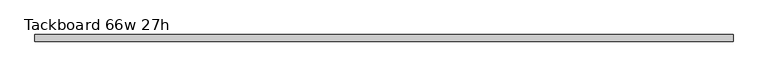
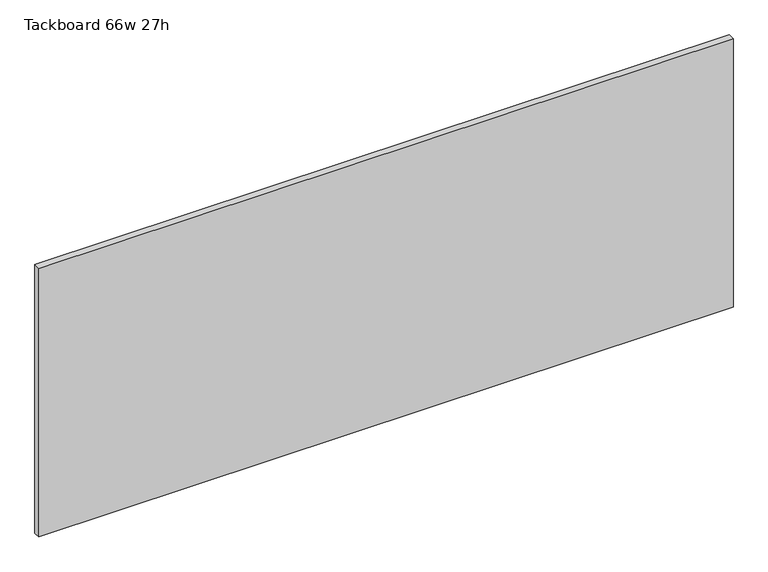
"""IFC4 building model written with IfcOpenShell, lengths in millimetres: furniture geometry, Tackboard 66w 27h."""

from ifc_helpers import new_model, si_unit, frame, origin, place, context, project, spatial, polyline, outline, extrude, source, transform, mapped, element, save


def tackboard_66w_27h_2ac81def(model_context):
    return source(origin(), model_context, "Body", "SweptSolid", [
        extrude(outline(polyline([(840.6402902, -28.8968594), (-835.7597098, -28.8968594), (-835.7597098, -13.0218594), (840.6402902, -13.0218594), (840.6402902, -28.8968594)])), frame((0.0, 0.0, 1066.8), z_axis=(0.0, 0.0, 1.0), x_axis=(1.0, 0.0, 0.0)), (0.0, 0.0, 1.0), 685.8),
    ])


if __name__ == "__main__":
    model = new_model("IFC4")
    model_context = context("Model", 3, world=origin())
    ifc_project = project(units=[si_unit("LENGTHUNIT", "METRE", prefix="MILLI")], contexts=[model_context])
    site = spatial("IfcSite", under=ifc_project)
    building = spatial("IfcBuilding", under=site)
    placement = place(None, origin())
    tackboard_66w_27h_shape = tackboard_66w_27h_2ac81def(model_context)
    element("IfcFurniture", 1, ObjectType="Tackboard 66w 27h", at=placement, inside=building, context=model_context, shape_type="MappedRepresentation", body=[
        mapped(tackboard_66w_27h_shape, transform((0.0, 0.0, 0.0), x_axis=(1.0, 0.0, 0.0), y_axis=(0.0, 1.0, 0.0), z_axis=(0.0, 0.0, 1.0))),
    ])
    save(model, "model.ifc")
